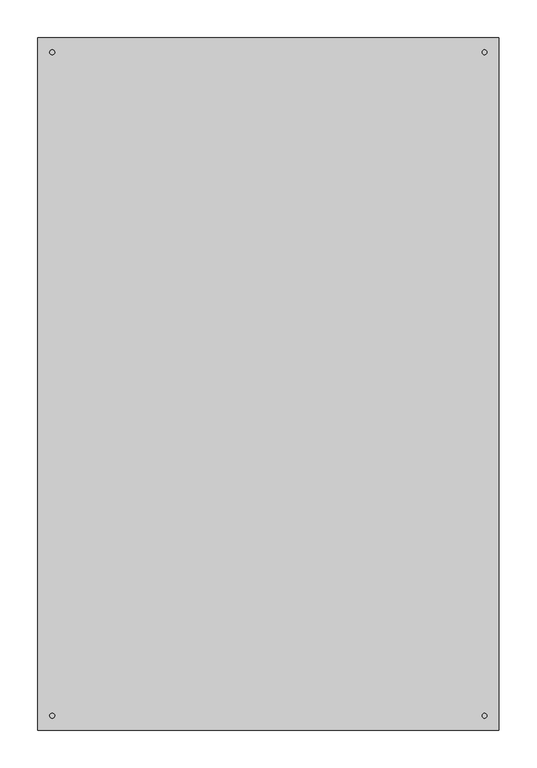
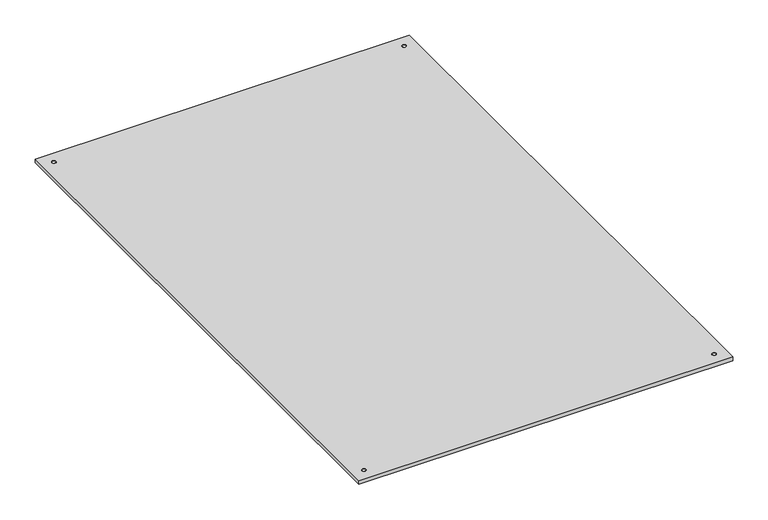
"""IFC4 building model written with IfcOpenShell, lengths in millimetres: proxy geometry."""

from ifc_helpers import new_model, si_unit, point, frame_2d, origin, origin_with_axes, place, context, project, spatial, polyline, circle_curve, trimmed, segment, composite_curve, outline, extrude, source, transform, mapped, element, save


def specialty_equipment_cbe74640(model_context):
    return source(origin(), model_context, "Body", "SweptSolid", [
        extrude(outline(polyline([(304.8, 457.2), (304.8, -457.2), (-304.8, -457.2), (-304.8, 457.2), (304.8, 457.2)]), holes=[composite_curve([segment(trimmed(circle_curve(frame_2d((-285.75, 438.15)), 3.175), [point((-285.75, 434.975))], [point((-285.75, 441.325))], True, "CARTESIAN"), True, "CONTINUOUS"), segment(trimmed(circle_curve(frame_2d((-285.75, 438.15)), 3.175), [point((-285.75, 441.325))], [point((-285.75, 434.975))], True, "CARTESIAN"), True, "CONTINUOUS")], self_intersect=False), composite_curve([segment(trimmed(circle_curve(frame_2d((285.75, 438.15)), 3.175), [point((285.75, 434.975))], [point((285.75, 441.325))], True, "CARTESIAN"), True, "CONTINUOUS"), segment(trimmed(circle_curve(frame_2d((285.75, 438.15)), 3.175), [point((285.75, 441.325))], [point((285.75, 434.975))], True, "CARTESIAN"), True, "CONTINUOUS")], self_intersect=False), composite_curve([segment(trimmed(circle_curve(frame_2d((-285.75, -438.15)), 3.175), [point((-285.75, -441.325))], [point((-285.75, -434.975))], True, "CARTESIAN"), True, "CONTINUOUS"), segment(trimmed(circle_curve(frame_2d((-285.75, -438.15)), 3.175), [point((-285.75, -434.975))], [point((-285.75, -441.325))], True, "CARTESIAN"), True, "CONTINUOUS")], self_intersect=False), composite_curve([segment(trimmed(circle_curve(frame_2d((285.75, -438.15)), 3.175), [point((285.75, -441.325))], [point((285.75, -434.975))], True, "CARTESIAN"), True, "CONTINUOUS"), segment(trimmed(circle_curve(frame_2d((285.75, -438.15)), 3.175), [point((285.75, -434.975))], [point((285.75, -441.325))], True, "CARTESIAN"), True, "CONTINUOUS")], self_intersect=False)]), origin_with_axes(), (0.0, 0.0, 1.0), 6.35),
        extrude(outline(composite_curve([segment(trimmed(circle_curve(frame_2d((-285.75, 438.15)), 3.175), [point((-285.75, 434.975))], [point((-285.75, 441.325))], False, "CARTESIAN"), True, "CONTINUOUS"), segment(trimmed(circle_curve(frame_2d((-285.75, 438.15)), 3.175), [point((-285.75, 441.325))], [point((-285.75, 434.975))], False, "CARTESIAN"), True, "CONTINUOUS")], self_intersect=False)), origin_with_axes(), (0.0, 0.0, 1.0), 6.35),
        extrude(outline(composite_curve([segment(trimmed(circle_curve(frame_2d((285.75, 438.15)), 3.175), [point((285.75, 434.975))], [point((285.75, 441.325))], False, "CARTESIAN"), True, "CONTINUOUS"), segment(trimmed(circle_curve(frame_2d((285.75, 438.15)), 3.175), [point((285.75, 441.325))], [point((285.75, 434.975))], False, "CARTESIAN"), True, "CONTINUOUS")], self_intersect=False)), origin_with_axes(), (0.0, 0.0, 1.0), 6.35),
        extrude(outline(composite_curve([segment(trimmed(circle_curve(frame_2d((285.75, -438.15)), 3.175), [point((285.75, -441.325))], [point((285.75, -434.975))], False, "CARTESIAN"), True, "CONTINUOUS"), segment(trimmed(circle_curve(frame_2d((285.75, -438.15)), 3.175), [point((285.75, -434.975))], [point((285.75, -441.325))], False, "CARTESIAN"), True, "CONTINUOUS")], self_intersect=False)), origin_with_axes(), (0.0, 0.0, 1.0), 6.35),
        extrude(outline(composite_curve([segment(trimmed(circle_curve(frame_2d((-285.75, -438.15)), 3.175), [point((-285.75, -441.325))], [point((-285.75, -434.975))], False, "CARTESIAN"), True, "CONTINUOUS"), segment(trimmed(circle_curve(frame_2d((-285.75, -438.15)), 3.175), [point((-285.75, -434.975))], [point((-285.75, -441.325))], False, "CARTESIAN"), True, "CONTINUOUS")], self_intersect=False)), origin_with_axes(), (0.0, 0.0, 1.0), 6.35),
    ])


if __name__ == "__main__":
    model = new_model("IFC4")
    model_context = context("Model", 3, world=origin())
    ifc_project = project(units=[si_unit("LENGTHUNIT", "METRE", prefix="MILLI")], contexts=[model_context])
    site = spatial("IfcSite", under=ifc_project)
    building = spatial("IfcBuilding", under=site)
    placement = place(None, origin())
    specialty_equipment_shape = specialty_equipment_cbe74640(model_context)
    element("IfcBuildingElementProxy", 1, Name="Specialty Equipment", at=placement, inside=building, context=model_context, shape_type="MappedRepresentation", body=[
        mapped(specialty_equipment_shape, transform((0.0, 0.0, 0.0), x_axis=(1.0, 0.0, 0.0), y_axis=(0.0, 1.0, 0.0), z_axis=(0.0, 0.0, 1.0))),
    ])
    save(model, "model.ifc")
